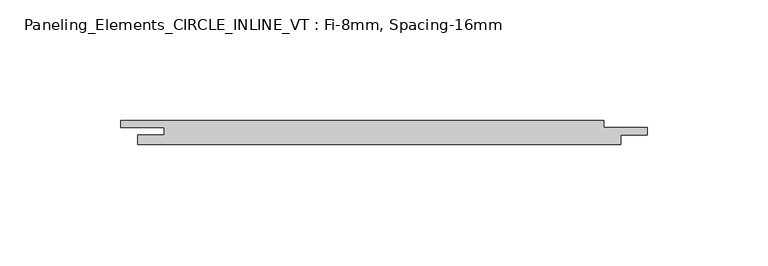
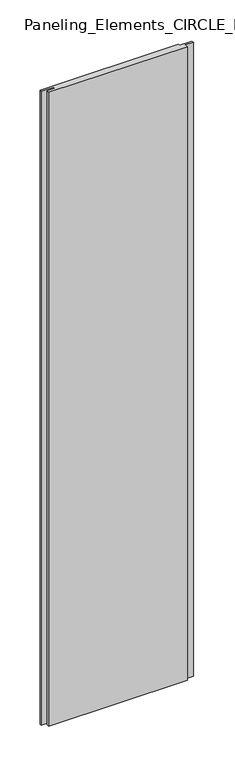
"""IFC4 building model written with IfcOpenShell, lengths in millimetres: plate geometry, Paneling_Elements_CIRCLE_INLINE_VT : Fi-8mm, Spacing-16mm."""

from ifc_helpers import new_model, si_unit, origin, origin_with_axes, place, context, project, spatial, polyline, outline, extrude, source, transform, mapped, element, save


def paneling_elements_circle_inline_vt_fi_8mm_spacing_16mm_fd4f4c40(model_context):
    return source(origin(), model_context, "Body", "SweptSolid", [
        extrude(outline(polyline([(93.0, 5.0), (93.0, 2.0), (111.0, 2.0), (111.0, -1.0), (100.0, -1.0), (100.0, -5.0), (-100.0, -5.0), (-100.0, -1.0), (-89.0, -1.0), (-89.0, 2.0), (-107.0, 2.0), (-107.0, 5.0), (93.0, 5.0)])), origin_with_axes(), (0.0, 0.0, 1.0), 966.8),
    ])


if __name__ == "__main__":
    model = new_model("IFC4")
    model_context = context("Model", 3, world=origin())
    ifc_project = project(units=[si_unit("LENGTHUNIT", "METRE", prefix="MILLI")], contexts=[model_context])
    site = spatial("IfcSite", under=ifc_project)
    building = spatial("IfcBuilding", under=site)
    placement = place(None, origin())
    paneling_elements_circle_inline_vt_fi_8mm_spacing_16mm_shape = paneling_elements_circle_inline_vt_fi_8mm_spacing_16mm_fd4f4c40(model_context)
    element("IfcPlate", 1, ObjectType="Paneling_Elements_CIRCLE_INLINE_VT : Fi-8mm, Spacing-16mm", at=placement, inside=building, context=model_context, shape_type="MappedRepresentation", body=[
        mapped(paneling_elements_circle_inline_vt_fi_8mm_spacing_16mm_shape, transform((0.0, 0.0, 0.0), x_axis=(1.0, 0.0, 0.0), y_axis=(0.0, 1.0, 0.0), z_axis=(0.0, 0.0, 1.0))),
    ])
    save(model, "model.ifc")
